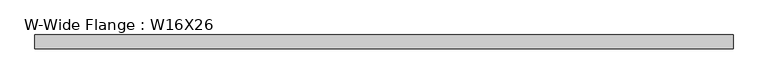
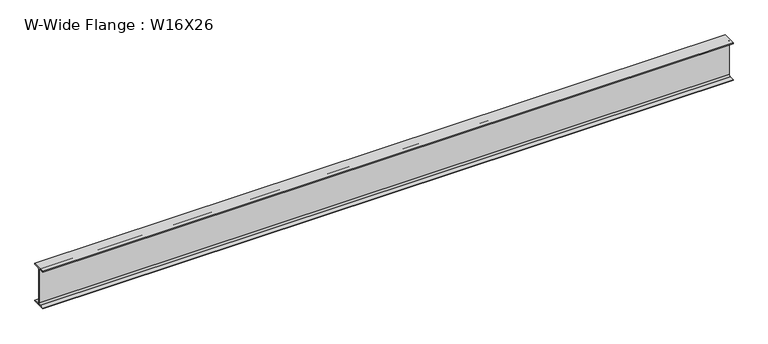
"""IFC4 building model written with IfcOpenShell, lengths in millimetres: beam geometry, W-Wide Flange : W16X26."""

import ifcopenshell
import ifcopenshell.guid

model = None  # the IFC model being written
_history = None  # IfcOwnerHistory: only IFC2X3 demands one
_inside = {}  # id of a spatial element -> (the spatial element, [elements in it])
_under = {}  # id of a project, library or spatial element -> (it, [spatial elements below it])
_declared = {}  # id of a project -> (the project, [libraries it declares])
_typed = {}  # id of a type object -> (the type object, [elements of that type])
_made_of = {}  # id of a material, layer set ... -> (it, [elements and type objects made of it])


def new_model(schema):
    """Start an empty IFC model of exactly this schema.

    Asked for "IFC4X3", IfcOpenShell would pick the latest addendum, in which some entities
    have other attributes; the version numbers below select the first issue.
    IFC2X3 requires an IfcOwnerHistory on every rooted entity: one is made here for all.
    """
    global model, _history
    if schema == "IFC4X3":
        model = ifcopenshell.file(schema_version=(4, 3, 0, 0))
    else:
        model = ifcopenshell.file(schema=schema)
    _inside.clear()
    _under.clear()
    _declared.clear()
    _typed.clear()
    _made_of.clear()
    _history = None
    if model.schema == "IFC2X3":
        org = make("IfcOrganization", Name="unknown")
        user = make(
            "IfcPersonAndOrganization",
            ThePerson=make("IfcPerson", FamilyName="unknown"),
            TheOrganization=org,
        )
        app = make(
            "IfcApplication",
            ApplicationDeveloper=org,
            Version="unknown",
            ApplicationFullName="unknown",
            ApplicationIdentifier="unknown",
        )
        _history = make(
            "IfcOwnerHistory",
            OwningUser=user,
            OwningApplication=app,
            ChangeAction="ADDED",
            CreationDate=0,
        )
    return model


def make(cls, **values):
    """One entity of the class cls with the attributes given. An attribute that is None is left unset."""
    return model.create_entity(
        cls, **{name: value for name, value in values.items() if value is not None}
    )


def rooted(cls, **values):
    """An entity with a GlobalId (a new one), such as an element, a storey or a relation."""
    return make(cls, GlobalId=ifcopenshell.guid.new(), OwnerHistory=_history, **values)


def si_unit(unit_type, name, prefix=None):
    """IfcSIUnit, for example si_unit("LENGTHUNIT", "METRE", prefix="MILLI")."""
    return make("IfcSIUnit", UnitType=unit_type, Prefix=prefix, Name=name)


def assignment(units):
    """IfcUnitAssignment: the units of a project."""
    return None if units is None else make("IfcUnitAssignment", Units=units)


def point(xyz):
    """IfcCartesianPoint."""
    return None if xyz is None else make("IfcCartesianPoint", Coordinates=xyz)


def direction(xyz):
    """IfcDirection."""
    return None if xyz is None else make("IfcDirection", DirectionRatios=xyz)


def frame(location, z_axis=None, x_axis=None):
    """IfcAxis2Placement3D, a coordinate frame: its origin and axes. An axis left out is left unset."""
    return make(
        "IfcAxis2Placement3D",
        Location=point(location),
        Axis=direction(z_axis),
        RefDirection=direction(x_axis),
    )


def frame_2d(location, x_axis=None):
    """IfcAxis2Placement2D, a coordinate frame in the plane: its origin and x axis."""
    return make(
        "IfcAxis2Placement2D", Location=point(location), RefDirection=direction(x_axis)
    )


def origin():
    """The frame at (0, 0, 0) with its axes left unset."""
    return frame((0.0, 0.0, 0.0))


def place(relative_to, where):
    """IfcLocalPlacement: puts the frame where relative to a parent placement (None: the world)."""
    return make(
        "IfcLocalPlacement", PlacementRelTo=relative_to, RelativePlacement=where
    )


def context(
    kind, dimensions, precision=None, world=None, true_north=None, identifier=None
):
    """IfcGeometricRepresentationContext, for example the 3D "Model" context."""
    return make(
        "IfcGeometricRepresentationContext",
        ContextIdentifier=identifier,
        ContextType=kind,
        CoordinateSpaceDimension=dimensions,
        Precision=precision,
        WorldCoordinateSystem=world,
        TrueNorth=true_north,
    )


def project(units=None, contexts=None):
    """IfcProject with its units and contexts."""
    return rooted(
        "IfcProject",
        Name="project",
        RepresentationContexts=contexts,
        UnitsInContext=assignment(units),
    )


def spatial(cls, under=None, at=None, **own):
    """A site, building, storey or space (cls), placed at a placement, below another one or the project."""
    s = rooted(cls, ObjectPlacement=at, **own)
    if under is not None:
        _under.setdefault(under.id(), (under, []))[1].append(s)
    return s


def polyline(points):
    """IfcPolyline through the points."""
    return make("IfcPolyline", Points=[point(p) for p in points])


def circle_curve(where, radius):
    """IfcCircle in the frame where."""
    return make("IfcCircle", Position=where, Radius=radius)


def trimmed(basis, trim1, trim2, sense, master):
    """IfcTrimmedCurve: the piece of a basis curve between two trims."""
    return make(
        "IfcTrimmedCurve",
        BasisCurve=basis,
        Trim1=trim1,
        Trim2=trim2,
        SenseAgreement=sense,
        MasterRepresentation=master,
    )


def segment(curve, same_sense, transition):
    """IfcCompositeCurveSegment."""
    return make(
        "IfcCompositeCurveSegment",
        Transition=transition,
        SameSense=same_sense,
        ParentCurve=curve,
    )


def composite_curve(segments, self_intersect=None):
    """IfcCompositeCurve: segments joined end to end."""
    return make("IfcCompositeCurve", Segments=segments, SelfIntersect=self_intersect)


def outline(outer, holes=None, kind="AREA"):
    """IfcArbitraryClosedProfileDef: a profile drawn as a closed curve; with holes, ...WithVoids."""
    if holes is None:
        return make("IfcArbitraryClosedProfileDef", ProfileType=kind, OuterCurve=outer)
    return make(
        "IfcArbitraryProfileDefWithVoids",
        ProfileType=kind,
        OuterCurve=outer,
        InnerCurves=holes,
    )


def extrude(swept, where, along, depth):
    """IfcExtrudedAreaSolid: the profile swept, set in the frame where, extruded along a direction by depth."""
    return make(
        "IfcExtrudedAreaSolid",
        SweptArea=swept,
        Position=where,
        ExtrudedDirection=direction(along),
        Depth=depth,
    )


def shape(context_of_items, identifier, shape_type, items):
    """IfcShapeRepresentation: the items that make up one representation, for example the "Body"."""
    return make(
        "IfcShapeRepresentation",
        ContextOfItems=context_of_items,
        RepresentationIdentifier=identifier,
        RepresentationType=shape_type,
        Items=items,
    )


def source(mapping_origin, context_of_items, identifier, shape_type, items):
    """IfcRepresentationMap: a shape defined once, which mapped items show again and again."""
    return make(
        "IfcRepresentationMap",
        MappingOrigin=mapping_origin,
        MappedRepresentation=shape(context_of_items, identifier, shape_type, items),
    )


def transform(
    local_origin,
    x_axis=None,
    y_axis=None,
    z_axis=None,
    scale=None,
    scale2=None,
    scale3=None,
    uniform=True,
):
    """IfcCartesianTransformationOperator3D, or its non-uniform kind. x_axis, y_axis, z_axis: its Axis1, 2, 3."""
    if uniform:
        return make(
            "IfcCartesianTransformationOperator3D",
            Axis1=direction(x_axis),
            Axis2=direction(y_axis),
            LocalOrigin=point(local_origin),
            Scale=scale,
            Axis3=direction(z_axis),
        )
    return make(
        "IfcCartesianTransformationOperator3DnonUniform",
        Axis1=direction(x_axis),
        Axis2=direction(y_axis),
        LocalOrigin=point(local_origin),
        Scale=scale,
        Axis3=direction(z_axis),
        Scale2=scale2,
        Scale3=scale3,
    )


def mapped(mapping_source, mapping_target):
    """IfcMappedItem: shows the shape of a source again, moved by a transform."""
    return make(
        "IfcMappedItem", MappingSource=mapping_source, MappingTarget=mapping_target
    )


def made_of(thing, what):
    """Note that an element or type object is made of a material, layer set ...; save() writes the relation."""
    if what is not None:
        _made_of.setdefault(what.id(), (what, []))[1].append(thing)
    return thing


def element(
    cls,
    number,
    at=None,
    inside=None,
    cuts=None,
    type_object=None,
    material=None,
    context=None,
    identifier="Body",
    shape_type=None,
    held_by="IfcProductDefinitionShape",
    body=None,
    shapes=None,
    **own,
):
    """One element of the class cls, such as IfcWall. Its Tag is "e" and its number.

    at: its placement. inside: the storey or other place that contains it. cuts: it is an
    opening in that element (IfcRelVoidsElement). A single representation is given by context,
    identifier, shape_type and body (its items); several are given by shapes. held_by: the class
    of the entity that holds the representations. save() writes the other relations.
    """
    e = rooted(cls, Tag="e%d" % number, ObjectPlacement=at, **own)
    if body is not None:
        shapes = [shape(context, identifier, shape_type, body)]
    if shapes is not None:
        e.Representation = make(held_by, Representations=shapes)
    if inside is not None:
        _inside.setdefault(inside.id(), (inside, []))[1].append(e)
    if cuts is not None:
        rooted(
            "IfcRelVoidsElement", RelatingBuildingElement=cuts, RelatedOpeningElement=e
        )
    if type_object is not None:
        _typed.setdefault(type_object.id(), (type_object, []))[1].append(e)
    return made_of(e, material)


def aggregate(whole, parts):
    """IfcRelAggregates: a whole, such as a stair, and the parts it consists of."""
    return rooted("IfcRelAggregates", RelatingObject=whole, RelatedObjects=parts)


def save(model, path):
    """Write the relations noted so far, then the file.

    IfcRelAggregates (storeys below a building ...), IfcRelContainedInSpatialStructure (elements
    in a storey), IfcRelDefinesByType, IfcRelAssociatesMaterial and IfcRelDeclares: one each for
    every whole, place, type object, material and project.
    """
    for whole, parts in _under.values():
        aggregate(whole, parts)
    for where, things in _inside.values():
        rooted(
            "IfcRelContainedInSpatialStructure",
            RelatedElements=things,
            RelatingStructure=where,
        )
    for kind, things in _typed.values():
        rooted("IfcRelDefinesByType", RelatedObjects=things, RelatingType=kind)
    for what, things in _made_of.values():
        rooted("IfcRelAssociatesMaterial", RelatedObjects=things, RelatingMaterial=what)
    for by, libraries in _declared.values():
        rooted("IfcRelDeclares", RelatingContext=by, RelatedDefinitions=libraries)
    model.write(path)


def w_wide_flange_w16x26_171f2840(model_context):
    return source(origin(), model_context, "Body", "SweptSolid", [
        extrude(outline(composite_curve([segment(polyline([(69.85, -190.5496094), (69.85, -199.2808594), (-69.85, -199.2808594), (-69.85, -190.5496094), (-21.43125, -190.5496094)]), True, "CONTINUOUS"), segment(trimmed(circle_curve(frame_2d((-21.43125, -172.2933594)), 18.25625), [point((-21.43125, -190.5496094))], [point((-3.175, -172.2933594))], True, "CARTESIAN"), True, "CONTINUOUS"), segment(polyline([(-3.175, -172.2933594), (-3.175, 172.2933594)]), True, "CONTINUOUS"), segment(trimmed(circle_curve(frame_2d((-21.43125, 172.2933594)), 18.25625), [point((-3.175, 172.2933594))], [point((-21.43125, 190.5496094))], True, "CARTESIAN"), True, "CONTINUOUS"), segment(polyline([(-21.43125, 190.5496094), (-69.85, 190.5496094), (-69.85, 199.2808594), (69.85, 199.2808594), (69.85, 190.5496094), (21.43125, 190.5496094)]), True, "CONTINUOUS"), segment(trimmed(circle_curve(frame_2d((21.43125, 172.2933594)), 18.25625), [point((21.43125, 190.5496094))], [point((3.175, 172.2933594))], True, "CARTESIAN"), True, "CONTINUOUS"), segment(polyline([(3.175, 172.2933594), (3.175, -172.2933594)]), True, "CONTINUOUS"), segment(trimmed(circle_curve(frame_2d((21.43125, -172.2933594)), 18.25625), [point((3.175, -172.2933594))], [point((21.43125, -190.5496094))], True, "CARTESIAN"), True, "CONTINUOUS"), segment(polyline([(21.43125, -190.5496094), (69.85, -190.5496094)]), True, "CONTINUOUS")], self_intersect=False)), frame((-3466.8519531, 0.0, 0.0), z_axis=(1.0, 0.0, 0.0), x_axis=(0.0, 1.0, 0.0)), (0.0, 0.0, 1.0), 6933.7039062),
    ])


if __name__ == "__main__":
    model = new_model("IFC4")
    model_context = context("Model", 3, world=origin())
    ifc_project = project(units=[si_unit("LENGTHUNIT", "METRE", prefix="MILLI")], contexts=[model_context])
    site = spatial("IfcSite", under=ifc_project)
    building = spatial("IfcBuilding", under=site)
    placement = place(None, origin())
    w_wide_flange_w16x26_shape = w_wide_flange_w16x26_171f2840(model_context)
    element("IfcBeam", 1, ObjectType="W-Wide Flange : W16X26", at=placement, inside=building, context=model_context, shape_type="MappedRepresentation", body=[
        mapped(w_wide_flange_w16x26_shape, transform((0.0, 0.0, 0.0), x_axis=(1.0, 0.0, 0.0), y_axis=(0.0, 1.0, 0.0), z_axis=(0.0, 0.0, 1.0))),
    ])
    save(model, "model.ifc")
